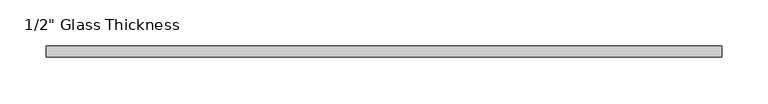
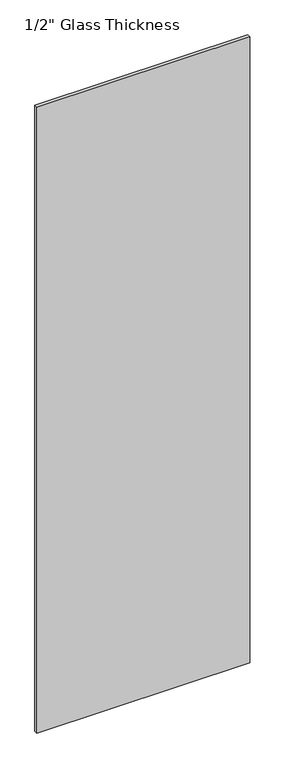
"""IFC4 building model written with IfcOpenShell, lengths in millimetres: plate geometry."""

from ifc_helpers import new_model, si_unit, origin, origin_with_axes, place, context, project, spatial, polyline, outline, extrude, source, transform, mapped, element, save


def plate_b769be14(model_context):
    return source(origin(), model_context, "Body", "SweptSolid", [
        extrude(outline(polyline([(364.5280506, 0.0), (-364.5280506, 0.0), (-364.5280506, 12.0), (364.5280506, 12.0), (364.5280506, 0.0)])), origin_with_axes(), (0.0, 0.0, 1.0), 2267.0),
    ])


if __name__ == "__main__":
    model = new_model("IFC4")
    model_context = context("Model", 3, world=origin())
    ifc_project = project(units=[si_unit("LENGTHUNIT", "METRE", prefix="MILLI")], contexts=[model_context])
    site = spatial("IfcSite", under=ifc_project)
    building = spatial("IfcBuilding", under=site)
    placement = place(None, origin())
    plate_shape = plate_b769be14(model_context)
    element("IfcPlate", 1, ObjectType="1/2\" Glass Thickness", at=placement, inside=building, context=model_context, shape_type="MappedRepresentation", body=[
        mapped(plate_shape, transform((0.0, 0.0, 0.0), x_axis=(1.0, 0.0, 0.0), y_axis=(0.0, 1.0, 0.0), z_axis=(0.0, 0.0, 1.0))),
    ])
    save(model, "model.ifc")
